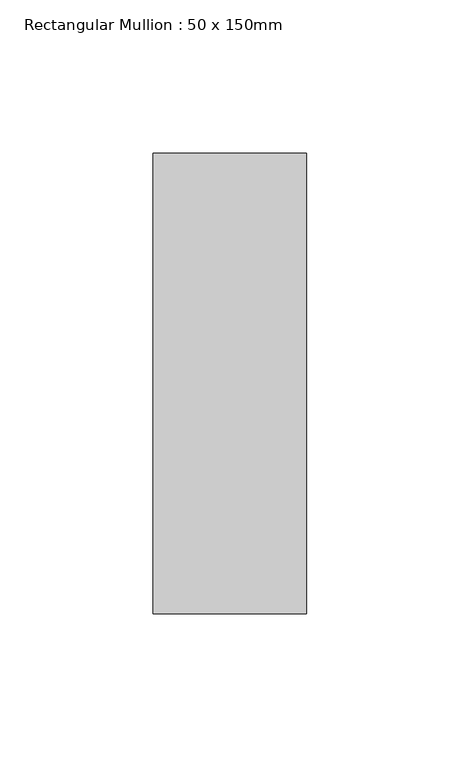
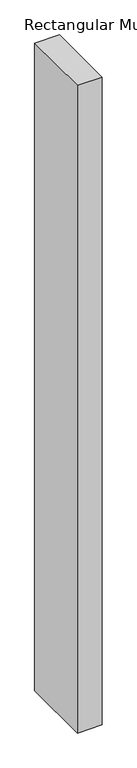
"""IFC4 building model written with IfcOpenShell, lengths in millimetres: member geometry, Rectangular Mullion : 50 x 150mm."""

from ifc_helpers import new_model, si_unit, frame, origin, place, context, project, spatial, polyline, outline, extrude, source, transform, mapped, element, save


def rectangular_mullion_50_x_150mm_f200525a(model_context):
    return source(origin(), model_context, "Body", "SweptSolid", [
        extrude(outline(polyline([(0.0, 75.0), (0.0, -75.0), (-50.0, -75.0), (-50.0, 75.0), (0.0, 75.0)])), frame((0.0, 0.0, -1392.1052632), z_axis=(0.0, 0.0, 1.0), x_axis=(1.0, 0.0, 0.0)), (0.0, 0.0, 1.0), 1392.1052632),
    ])


if __name__ == "__main__":
    model = new_model("IFC4")
    model_context = context("Model", 3, world=origin())
    ifc_project = project(units=[si_unit("LENGTHUNIT", "METRE", prefix="MILLI")], contexts=[model_context])
    site = spatial("IfcSite", under=ifc_project)
    building = spatial("IfcBuilding", under=site)
    placement = place(None, origin())
    rectangular_mullion_50_x_150mm_shape = rectangular_mullion_50_x_150mm_f200525a(model_context)
    element("IfcMember", 1, ObjectType="Rectangular Mullion : 50 x 150mm", at=placement, inside=building, context=model_context, shape_type="MappedRepresentation", body=[
        mapped(rectangular_mullion_50_x_150mm_shape, transform((0.0, 0.0, 0.0), x_axis=(1.0, 0.0, 0.0), y_axis=(0.0, 1.0, 0.0), z_axis=(0.0, 0.0, 1.0))),
    ])
    save(model, "model.ifc")
